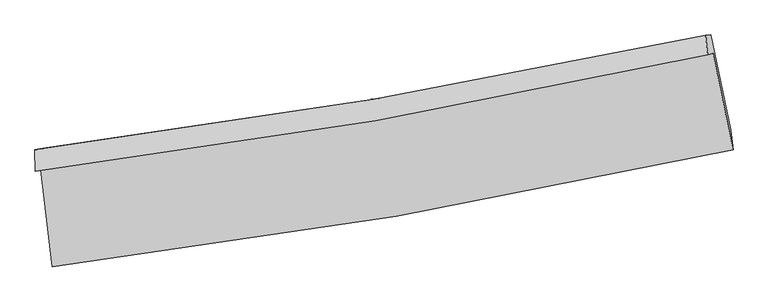
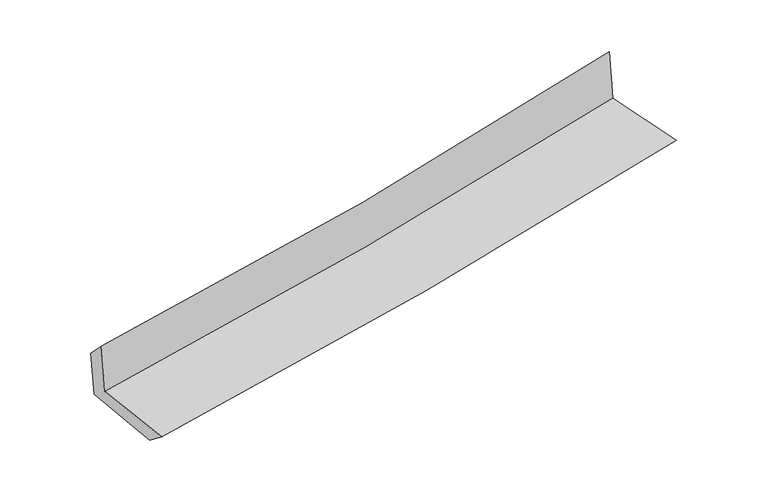
"""IFC4 building model written with IfcOpenShell, lengths in millimetres: proxy geometry."""

import ifcopenshell
import ifcopenshell.guid

model = None  # the IFC model being written
_history = None  # IfcOwnerHistory: only IFC2X3 demands one
_inside = {}  # id of a spatial element -> (the spatial element, [elements in it])
_under = {}  # id of a project, library or spatial element -> (it, [spatial elements below it])
_declared = {}  # id of a project -> (the project, [libraries it declares])
_typed = {}  # id of a type object -> (the type object, [elements of that type])
_made_of = {}  # id of a material, layer set ... -> (it, [elements and type objects made of it])


def new_model(schema):
    """Start an empty IFC model of exactly this schema.

    Asked for "IFC4X3", IfcOpenShell would pick the latest addendum, in which some entities
    have other attributes; the version numbers below select the first issue.
    IFC2X3 requires an IfcOwnerHistory on every rooted entity: one is made here for all.
    """
    global model, _history
    if schema == "IFC4X3":
        model = ifcopenshell.file(schema_version=(4, 3, 0, 0))
    else:
        model = ifcopenshell.file(schema=schema)
    _inside.clear()
    _under.clear()
    _declared.clear()
    _typed.clear()
    _made_of.clear()
    _history = None
    if model.schema == "IFC2X3":
        org = make("IfcOrganization", Name="unknown")
        user = make(
            "IfcPersonAndOrganization",
            ThePerson=make("IfcPerson", FamilyName="unknown"),
            TheOrganization=org,
        )
        app = make(
            "IfcApplication",
            ApplicationDeveloper=org,
            Version="unknown",
            ApplicationFullName="unknown",
            ApplicationIdentifier="unknown",
        )
        _history = make(
            "IfcOwnerHistory",
            OwningUser=user,
            OwningApplication=app,
            ChangeAction="ADDED",
            CreationDate=0,
        )
    return model


def make(cls, **values):
    """One entity of the class cls with the attributes given. An attribute that is None is left unset."""
    return model.create_entity(
        cls, **{name: value for name, value in values.items() if value is not None}
    )


def rooted(cls, **values):
    """An entity with a GlobalId (a new one), such as an element, a storey or a relation."""
    return make(cls, GlobalId=ifcopenshell.guid.new(), OwnerHistory=_history, **values)


def si_unit(unit_type, name, prefix=None):
    """IfcSIUnit, for example si_unit("LENGTHUNIT", "METRE", prefix="MILLI")."""
    return make("IfcSIUnit", UnitType=unit_type, Prefix=prefix, Name=name)


def assignment(units):
    """IfcUnitAssignment: the units of a project."""
    return None if units is None else make("IfcUnitAssignment", Units=units)


def point(xyz):
    """IfcCartesianPoint."""
    return None if xyz is None else make("IfcCartesianPoint", Coordinates=xyz)


def direction(xyz):
    """IfcDirection."""
    return None if xyz is None else make("IfcDirection", DirectionRatios=xyz)


def frame(location, z_axis=None, x_axis=None):
    """IfcAxis2Placement3D, a coordinate frame: its origin and axes. An axis left out is left unset."""
    return make(
        "IfcAxis2Placement3D",
        Location=point(location),
        Axis=direction(z_axis),
        RefDirection=direction(x_axis),
    )


def origin():
    """The frame at (0, 0, 0) with its axes left unset."""
    return frame((0.0, 0.0, 0.0))


def place(relative_to, where):
    """IfcLocalPlacement: puts the frame where relative to a parent placement (None: the world)."""
    return make(
        "IfcLocalPlacement", PlacementRelTo=relative_to, RelativePlacement=where
    )


def context(
    kind, dimensions, precision=None, world=None, true_north=None, identifier=None
):
    """IfcGeometricRepresentationContext, for example the 3D "Model" context."""
    return make(
        "IfcGeometricRepresentationContext",
        ContextIdentifier=identifier,
        ContextType=kind,
        CoordinateSpaceDimension=dimensions,
        Precision=precision,
        WorldCoordinateSystem=world,
        TrueNorth=true_north,
    )


def project(units=None, contexts=None):
    """IfcProject with its units and contexts."""
    return rooted(
        "IfcProject",
        Name="project",
        RepresentationContexts=contexts,
        UnitsInContext=assignment(units),
    )


def spatial(cls, under=None, at=None, **own):
    """A site, building, storey or space (cls), placed at a placement, below another one or the project."""
    s = rooted(cls, ObjectPlacement=at, **own)
    if under is not None:
        _under.setdefault(under.id(), (under, []))[1].append(s)
    return s


def shape(context_of_items, identifier, shape_type, items):
    """IfcShapeRepresentation: the items that make up one representation, for example the "Body"."""
    return make(
        "IfcShapeRepresentation",
        ContextOfItems=context_of_items,
        RepresentationIdentifier=identifier,
        RepresentationType=shape_type,
        Items=items,
    )


def source(mapping_origin, context_of_items, identifier, shape_type, items):
    """IfcRepresentationMap: a shape defined once, which mapped items show again and again."""
    return make(
        "IfcRepresentationMap",
        MappingOrigin=mapping_origin,
        MappedRepresentation=shape(context_of_items, identifier, shape_type, items),
    )


def transform(
    local_origin,
    x_axis=None,
    y_axis=None,
    z_axis=None,
    scale=None,
    scale2=None,
    scale3=None,
    uniform=True,
):
    """IfcCartesianTransformationOperator3D, or its non-uniform kind. x_axis, y_axis, z_axis: its Axis1, 2, 3."""
    if uniform:
        return make(
            "IfcCartesianTransformationOperator3D",
            Axis1=direction(x_axis),
            Axis2=direction(y_axis),
            LocalOrigin=point(local_origin),
            Scale=scale,
            Axis3=direction(z_axis),
        )
    return make(
        "IfcCartesianTransformationOperator3DnonUniform",
        Axis1=direction(x_axis),
        Axis2=direction(y_axis),
        LocalOrigin=point(local_origin),
        Scale=scale,
        Axis3=direction(z_axis),
        Scale2=scale2,
        Scale3=scale3,
    )


def mapped(mapping_source, mapping_target):
    """IfcMappedItem: shows the shape of a source again, moved by a transform."""
    return make(
        "IfcMappedItem", MappingSource=mapping_source, MappingTarget=mapping_target
    )


def made_of(thing, what):
    """Note that an element or type object is made of a material, layer set ...; save() writes the relation."""
    if what is not None:
        _made_of.setdefault(what.id(), (what, []))[1].append(thing)
    return thing


def element(
    cls,
    number,
    at=None,
    inside=None,
    cuts=None,
    type_object=None,
    material=None,
    context=None,
    identifier="Body",
    shape_type=None,
    held_by="IfcProductDefinitionShape",
    body=None,
    shapes=None,
    **own,
):
    """One element of the class cls, such as IfcWall. Its Tag is "e" and its number.

    at: its placement. inside: the storey or other place that contains it. cuts: it is an
    opening in that element (IfcRelVoidsElement). A single representation is given by context,
    identifier, shape_type and body (its items); several are given by shapes. held_by: the class
    of the entity that holds the representations. save() writes the other relations.
    """
    e = rooted(cls, Tag="e%d" % number, ObjectPlacement=at, **own)
    if body is not None:
        shapes = [shape(context, identifier, shape_type, body)]
    if shapes is not None:
        e.Representation = make(held_by, Representations=shapes)
    if inside is not None:
        _inside.setdefault(inside.id(), (inside, []))[1].append(e)
    if cuts is not None:
        rooted(
            "IfcRelVoidsElement", RelatingBuildingElement=cuts, RelatedOpeningElement=e
        )
    if type_object is not None:
        _typed.setdefault(type_object.id(), (type_object, []))[1].append(e)
    return made_of(e, material)


def aggregate(whole, parts):
    """IfcRelAggregates: a whole, such as a stair, and the parts it consists of."""
    return rooted("IfcRelAggregates", RelatingObject=whole, RelatedObjects=parts)


def save(model, path):
    """Write the relations noted so far, then the file.

    IfcRelAggregates (storeys below a building ...), IfcRelContainedInSpatialStructure (elements
    in a storey), IfcRelDefinesByType, IfcRelAssociatesMaterial and IfcRelDeclares: one each for
    every whole, place, type object, material and project.
    """
    for whole, parts in _under.values():
        aggregate(whole, parts)
    for where, things in _inside.values():
        rooted(
            "IfcRelContainedInSpatialStructure",
            RelatedElements=things,
            RelatingStructure=where,
        )
    for kind, things in _typed.values():
        rooted("IfcRelDefinesByType", RelatedObjects=things, RelatingType=kind)
    for what, things in _made_of.values():
        rooted("IfcRelAssociatesMaterial", RelatedObjects=things, RelatingMaterial=what)
    for by, libraries in _declared.values():
        rooted("IfcRelDeclares", RelatingContext=by, RelatedDefinitions=libraries)
    model.write(path)


def plane_surface(at):
    """IfcPlane: the flat surface through the origin of the frame at, square to its z axis."""
    return make("IfcPlane", Position=at)


def spline_curve(degree, points, multiplicities, knots, weights=None):
    """IfcBSplineCurveWithKnots; with weights, IfcRationalBSplineCurveWithKnots."""
    own = dict(
        Degree=degree,
        ControlPointsList=[point(p) for p in points],
        CurveForm="UNSPECIFIED",
        ClosedCurve=False,
        SelfIntersect=False,
        KnotMultiplicities=multiplicities,
        Knots=knots,
        KnotSpec="UNSPECIFIED",
    )
    if weights is None:
        return make("IfcBSplineCurveWithKnots", **own)
    return make("IfcRationalBSplineCurveWithKnots", WeightsData=weights, **own)


def spline_surface(u_degree, v_degree, points, u_multiplicities, v_multiplicities, u_knots, v_knots, weights=None):
    """IfcBSplineSurfaceWithKnots; with weights, IfcRationalBSplineSurfaceWithKnots. points: one row for each step in u."""
    own = dict(
        UDegree=u_degree,
        VDegree=v_degree,
        ControlPointsList=[[point(p) for p in row] for row in points],
        SurfaceForm="UNSPECIFIED",
        UClosed=False,
        VClosed=False,
        SelfIntersect=False,
        UMultiplicities=u_multiplicities,
        VMultiplicities=v_multiplicities,
        UKnots=u_knots,
        VKnots=v_knots,
        KnotSpec="UNSPECIFIED",
    )
    if weights is None:
        return make("IfcBSplineSurfaceWithKnots", **own)
    return make("IfcRationalBSplineSurfaceWithKnots", WeightsData=weights, **own)


def advanced_brep(points, edges, surfaces, faces):
    """IfcAdvancedBrep: a solid bounded by faces that lie on surfaces and meet in shared edges.

    An edge is (start, end): straight between two places in points (the first is 0);
    or (start, end, curve); or (start, end, curve, False) where it runs against its curve.
    A face is (place in surfaces, loops), or (place, loops, False) where it looks against
    its surface's normal. A loop lists edges by number (the first is 1), with a minus sign
    where the edge is run from its end to its start. The first loop is the outer one.
    """
    corners = [point(p) for p in points]
    vertices = [make("IfcVertexPoint", VertexGeometry=c) for c in corners]
    made = []
    for start, end, *more in edges:
        made.append(
            make(
                "IfcEdgeCurve",
                EdgeStart=vertices[start],
                EdgeEnd=vertices[end],
                EdgeGeometry=more[0] if more else make("IfcPolyline", Points=[corners[start], corners[end]]),
                SameSense=more[1] if len(more) > 1 else True,
            )
        )
    hull = []
    for where, loops, *sense in faces:
        bounds = []
        for j, loop in enumerate(loops):
            ring = [make("IfcOrientedEdge", EdgeElement=made[abs(k) - 1], Orientation=k > 0) for k in loop]
            bounds.append(
                make(
                    "IfcFaceOuterBound" if j == 0 else "IfcFaceBound",
                    Bound=make("IfcEdgeLoop", EdgeList=ring),
                    Orientation=True,
                )
            )
        hull.append(make("IfcAdvancedFace", Bounds=bounds, FaceSurface=surfaces[where], SameSense=sense[0] if sense else True))
    return make("IfcAdvancedBrep", Outer=make("IfcClosedShell", CfsFaces=hull))


def generic_models_e4466d10(model_context):
    return source(origin(), model_context, "Body", "AdvancedBrep", [
        advanced_brep(
        [(-2309.0377235, -1874.5773907, 1679.8789808), (-2232.2835384, -2531.9967649, 1664.4885188), (2377.7181628, -1739.6594676, 2100.1373926), (2242.2589219, -1086.424204, 2110.191361), (-2345.1297832, -1887.120421, 2086.1944735), (2205.1276342, -1099.3087087, 2527.0150468), (-2348.4077722, -1740.8926164, 1940.2732044), (2192.166304, -965.1457213, 2373.3940504), (-2315.144218, -1734.7612715, 1572.5351925), (2227.8817981, -963.5277628, 1995.7081708), (-2238.7203351, -2379.1739809, 1544.5846637), (2361.9138367, -1603.870266, 1972.7947176)],
        [
            (0, 1),
            (1, 2, spline_curve(3, [(-2232.2835384, -2531.9967649, 1664.4885188), (-1452.658688315, -2438.367608753, 1739.933126391), (-676.318141846, -2324.9939505, 1814.177164446), (860.268651298, -2060.397927873, 1959.364050757), (1620.595338663, -1909.659153611, 2030.336304146), (2377.7181628, -1739.6594676, 2100.1373926)], [4, 2, 4], [0.0, 7.708475482264203, 15.32196620301091])),
            (2, 3),
            (3, 0, spline_curve(3, [(2242.2589219, -1086.424204, 2110.191361), (1494.610965149, -1253.698983615, 2041.320729936), (743.882701121, -1402.722492038, 1971.255800596), (-773.138842114, -1665.898462068, 1827.848326233), (-1539.509460296, -1779.592682437, 1754.475795355), (-2309.0377235, -1874.5773907, 1679.8789808)], [4, 2, 4], [0.0, 7.613490720746706, 15.32196620301091])),
            (4, 0),
            (3, 5),
            (5, 4, spline_curve(3, [(2205.1276342, -1099.3087087, 2527.0150468), (1458.528714596, -1266.221719225, 2446.549815811), (708.413752748, -1415.035117165, 2369.786788453), (-808.250441042, -1678.093454708, 2222.75364473), (-1574.887951929, -1791.88396043, 2152.576481052), (-2345.1297832, -1887.120421, 2086.1944735)], [4, 2, 4], [0.0, 7.565307766847541, 15.224999171949518])),
            (6, 4),
            (5, 7),
            (7, 6, spline_curve(3, [(2192.166304, -965.1457213, 2373.3940504), (1446.327327468, -1126.734760898, 2295.856377779), (697.391664105, -1271.876696735, 2221.199917045), (-816.055278239, -1530.871938172, 2076.753961979), (-1580.644307118, -1644.312300849, 2007.036807554), (-2348.4077722, -1740.8926164, 1940.2732044)], [4, 2, 4], [0.0, 7.555068065381574, 15.20439202004705])),
            (8, 6),
            (7, 9),
            (9, 8, spline_curve(3, [(2227.8817981, -963.5277628, 1995.7081708), (1480.099190112, -1123.005820645, 1933.063831423), (729.983883634, -1266.714255469, 1866.718943777), (-784.299554015, -1524.188025048, 1725.75419533), (-1548.526252937, -1637.557426392, 1651.04142348), (-2315.144218, -1734.7612715, 1572.5351925)], [4, 2, 4], [0.0, 7.545269701979662, 15.18467305033979])),
            (10, 8),
            (9, 11),
            (11, 10, spline_curve(3, [(2361.9138367, -1603.870266, 1972.7947176), (1605.909854226, -1772.588244894, 1909.011486476), (846.917034339, -1921.280272346, 1841.679054712), (-686.552647724, -2180.217642403, 1699.031481136), (-1461.104551967, -2289.960186753, 1623.62722828), (-2238.7203351, -2379.1739809, 1544.5846637)], [4, 2, 4], [0.0, 7.593479277525759, 15.281693656822693])),
            (1, 10),
            (11, 2),
        ],
        [
            spline_surface(3, 3, [[(-2309.0377235, -1874.5773907, 1679.8789808), (-1539.509460221, -1779.592682313, 1754.475795409), (-773.138842224, -1665.898461984, 1827.848326203), (743.882701229, -1402.722492121, 1971.255800626), (1494.610965067, -1253.698983559, 2041.320729872), (2242.2589219, -1086.424204, 2110.191361)], [(-2283.452995154, -2093.717182114, 1674.748826812), (-1510.559202926, -1999.184324499, 1749.628239084), (-740.865275475, -1885.596958205, 1823.291272294), (782.678017913, -1621.947637359, 1967.291884045), (1536.60575629, -1472.35237358, 2037.659254598), (2287.412002224, -1304.169291867, 2106.840038179)], [(-2257.868266746, -2312.856973486, 1669.618672788), (-1481.608945571, -2218.775966642, 1744.780682723), (-708.591708653, -2105.295454372, 1818.734218306), (821.473334671, -1841.172782543, 1963.327967386), (1578.600547441, -1691.005763601, 2033.997779388), (2332.565082476, -1521.914379733, 2103.488715421)], [(-2232.2835384, -2531.9967649, 1664.4885188), (-1452.658688276, -2438.367608828, 1739.933126398), (-676.318141905, -2324.993950593, 1814.177164396), (860.268651355, -2060.397927781, 1959.364050805), (1620.595338663, -1909.659153622, 2030.336304114), (2377.7181628, -1739.6594676, 2100.1373926)]], [4, 4], [4, 2, 4], [0.0, 2.188556107810713], [0.0, 7.708475482264203, 15.32196620301091]),
            spline_surface(3, 3, [[(-2345.1297832, -1887.120421, 2086.1944735), (-1574.887951931, -1791.883960534, 2152.576481089), (-808.250441146, -1678.093454587, 2222.753644792), (708.413752851, -1415.035117284, 2369.786788392), (1458.528714514, -1266.221719117, 2446.549815793), (2205.1276342, -1099.3087087, 2527.0150468)], [(-2333.099096621, -1882.939410911, 1950.755975922), (-1563.095121349, -1787.786867805, 2019.876252518), (-796.546574832, -1674.028457055, 2091.118538589), (720.23673565, -1410.930908898, 2236.943125797), (1470.55613135, -1262.04747393, 2311.473453824), (2217.504730085, -1095.013873799, 2388.073818204)], [(-2321.068410079, -1878.758400789, 1815.317478378), (-1551.302290803, -1783.689775042, 1887.17602398), (-784.842708537, -1669.963459517, 1959.483432406), (732.05971843, -1406.826700506, 2104.099463221), (1482.583548231, -1257.873228746, 2176.397091842), (2229.881826015, -1090.719038901, 2249.132589596)], [(-2309.0377235, -1874.5773907, 1679.8789808), (-1539.509460221, -1779.592682313, 1754.475795409), (-773.138842224, -1665.898461984, 1827.848326203), (743.882701229, -1402.722492121, 1971.255800626), (1494.610965067, -1253.698983559, 2041.320729872), (2242.2589219, -1086.424204, 2110.191361)]], [4, 4], [4, 2, 4], [0.0, 1.3072543614660987], [0.0, 7.659691405101977, 15.224999171949518]),
            spline_surface(3, 3, [[(-2348.4077722, -1740.8926164, 1940.2732044), (-1580.644307041, -1644.312300725, 2007.036807473), (-816.055278294, -1530.871938188, 2076.753962056), (697.39166416, -1271.876696719, 2221.199916968), (1446.327327535, -1126.734760877, 2295.856377724), (2192.166304, -965.1457213, 2373.3940504)], [(-2347.315109218, -1789.635217918, 1988.913627432), (-1578.725522022, -1693.502853979, 2055.55003201), (-813.453665915, -1579.945776977, 2125.420522957), (701.06569372, -1319.59617023, 2270.728874098), (1450.394456547, -1173.230413608, 2346.087523746), (2196.486747419, -1009.866717085, 2424.601049199)], [(-2346.222446182, -1838.377819482, 2037.554050468), (-1576.80673695, -1742.69340728, 2104.063256552), (-810.852053525, -1629.019615799, 2174.087083892), (704.739723291, -1367.315643773, 2320.257831263), (1454.461585502, -1219.726066385, 2396.318669771), (2200.807190781, -1054.587712915, 2475.808048001)], [(-2345.1297832, -1887.120421, 2086.1944735), (-1574.887951931, -1791.883960534, 2152.576481089), (-808.250441146, -1678.093454587, 2222.753644792), (708.413752851, -1415.035117284, 2369.786788392), (1458.528714514, -1266.221719117, 2446.549815793), (2205.1276342, -1099.3087087, 2527.0150468)]], [4, 4], [4, 2, 4], [0.0, 0.6792704363072074], [0.0, 7.649323954665476, 15.20439202004705]),
            spline_surface(3, 3, [[(-2315.144218, -1734.7612715, 1572.5351925), (-1548.526252833, -1637.557426371, 1651.04142357), (-784.299553944, -1524.188025071, 1725.754195299), (729.983883563, -1266.714255446, 1866.718943808), (1480.099190033, -1123.005820574, 1933.06383147), (2227.8817981, -963.5277628, 1995.7081708)], [(-2326.232069384, -1736.805053118, 1695.114529816), (-1559.232270886, -1639.809051141, 1769.706551553), (-794.88479539, -1526.415996097, 1842.754117557), (719.119810433, -1268.435069191, 1984.879268201), (1468.841902518, -1124.248800697, 2053.994680213), (2215.976633385, -964.067082322, 2121.603463992)], [(-2337.319920816, -1738.848834782, 1817.693867084), (-1569.938288988, -1642.060675956, 1888.371679489), (-805.470036848, -1528.643967162, 1959.754039798), (708.25573729, -1270.155882975, 2103.039592576), (1457.584615049, -1125.491780753, 2174.925528981), (2204.071468715, -964.606401778, 2247.498757208)], [(-2348.4077722, -1740.8926164, 1940.2732044), (-1580.644307041, -1644.312300725, 2007.036807473), (-816.055278294, -1530.871938188, 2076.753962056), (697.39166416, -1271.876696719, 2221.199916968), (1446.327327535, -1126.734760877, 2295.856377724), (2192.166304, -965.1457213, 2373.3940504)]], [4, 4], [4, 2, 4], [0.0, 1.1621822186189228], [0.0, 7.639403348360127, 15.18467305033979]),
            spline_surface(3, 3, [[(-2238.7203351, -2379.1739809, 1544.5846637), (-1461.104551947, -2289.960186646, 1623.627228266), (-686.552647762, -2180.217642437, 1699.031481124), (846.917034377, -1921.280272312, 1841.679054724), (1605.909854179, -1772.588244919, 1909.011486551), (2361.9138367, -1603.870266, 1972.7947176)], [(-2264.194962754, -2164.369744432, 1553.901506614), (-1490.245118929, -2072.492599887, 1632.765293348), (-719.134949829, -1961.541103342, 1707.939052511), (807.939317433, -1703.09160005, 1850.025684413), (1563.97296614, -1556.060770121, 1917.028934885), (2317.23649051, -1390.422764917, 1980.432535361)], [(-2289.669590346, -1949.565507968, 1563.218349586), (-1519.38568585, -1855.025013131, 1641.903358487), (-751.717251877, -1742.864564166, 1716.846623912), (768.961600507, -1484.902927708, 1858.372314118), (1522.036078071, -1339.533295372, 1925.046383136), (2272.55914429, -1176.975263883, 1988.070353039)], [(-2315.144218, -1734.7612715, 1572.5351925), (-1548.526252833, -1637.557426371, 1651.04142357), (-784.299553944, -1524.188025071, 1725.754195299), (729.983883563, -1266.714255446, 1866.718943808), (1480.099190033, -1123.005820574, 1933.06383147), (2227.8817981, -963.5277628, 1995.7081708)]], [4, 4], [4, 2, 4], [0.0, 2.180199439761713], [0.0, 7.688214379296934, 15.281693656822693]),
            spline_surface(3, 3, [[(-2232.2835384, -2531.9967649, 1664.4885188), (-1452.658688276, -2438.367608828, 1739.933126398), (-676.318141905, -2324.993950593, 1814.177164396), (860.268651355, -2060.397927781, 1959.364050805), (1620.595338663, -1909.659153622, 2030.336304114), (2377.7181628, -1739.6594676, 2100.1373926)], [(-2234.42913727, -2481.055836906, 1624.520567104), (-1455.473976137, -2388.898468107, 1701.164493692), (-679.729643834, -2276.735181185, 1775.795269963), (855.818112386, -2014.025375935, 1920.135718769), (1615.700177145, -1863.968850732, 1989.894698258), (2372.450054077, -1694.396400411, 2057.689834265)], [(-2236.57473623, -2430.114908894, 1584.552615396), (-1458.289264086, -2339.429327367, 1662.395860973), (-683.141145833, -2228.476411845, 1737.413375557), (851.367573346, -1967.652824158, 1880.90738676), (1610.805015697, -1818.278547809, 1949.453092407), (2367.181945423, -1649.133333189, 2015.242275935)], [(-2238.7203351, -2379.1739809, 1544.5846637), (-1461.104551947, -2289.960186646, 1623.627228266), (-686.552647762, -2180.217642437, 1699.031481124), (846.917034377, -1921.280272312, 1841.679054724), (1605.909854179, -1772.588244919, 1909.011486551), (2361.9138367, -1603.870266, 1972.7947176)]], [4, 4], [4, 2, 4], [0.0, 0.6035896822609635], [0.0, 7.7467708299653255, 15.398085018535351]),
            plane_surface(frame((2267.8444429, -1242.989355, 2179.8734565), z_axis=(0.9752019820556185, 0.20079183167741077, 0.09307918417360438), x_axis=(-0.09414316367822434, -0.004264808363264787, 0.9955495347506721))),
            plane_surface(frame((-2298.1205617, -2024.7537409, 1747.9925056), z_axis=(-0.9893419427793757, -0.11336712565579095, -0.09138060559043631), x_axis=(-0.11593172736248938, 0.9929851202084824, 0.023246196146797776))),
        ],
        [
            (0, [[1, 2, 3, 4]]),
            (1, [[5, -4, 6, 7]]),
            (2, [[8, -7, 9, 10]]),
            (3, [[11, -10, 12, 13]]),
            (4, [[14, -13, 15, 16]]),
            (5, [[17, -16, 18, -2]]),
            (6, [[-12, -9, -6, -3, -18, -15]]),
            (7, [[-1, -5, -8, -11, -14, -17]]),
        ],
    ),
    ])


if __name__ == "__main__":
    model = new_model("IFC4")
    model_context = context("Model", 3, world=origin())
    ifc_project = project(units=[si_unit("LENGTHUNIT", "METRE", prefix="MILLI")], contexts=[model_context])
    site = spatial("IfcSite", under=ifc_project)
    building = spatial("IfcBuilding", under=site)
    placement = place(None, origin())
    generic_models_shape = generic_models_e4466d10(model_context)
    element("IfcBuildingElementProxy", 1, Name="Generic Models", at=placement, inside=building, context=model_context, shape_type="MappedRepresentation", body=[
        mapped(generic_models_shape, transform((0.0, 0.0, 0.0), x_axis=(1.0, 0.0, 0.0), y_axis=(0.0, 1.0, 0.0), z_axis=(0.0, 0.0, 1.0))),
    ])
    save(model, "model.ifc")
